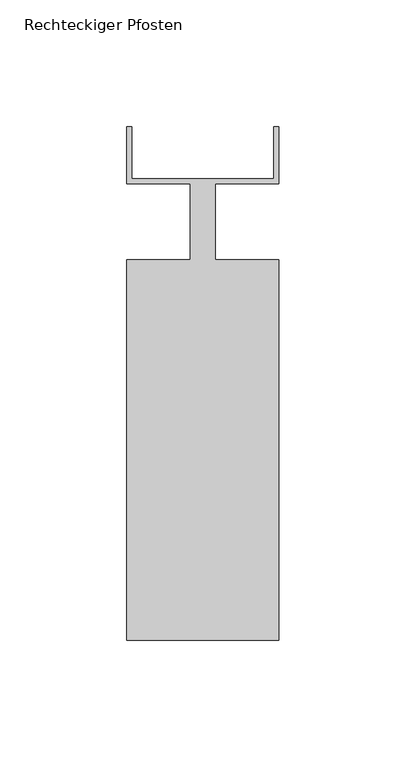
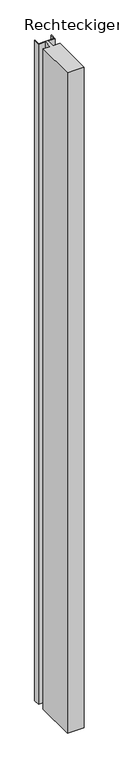
"""IFC4 building model written with IfcOpenShell, lengths in millimetres: member geometry, Rechteckiger Pfosten."""

from ifc_helpers import new_model, si_unit, frame, origin, place, context, project, spatial, polyline, outline, extrude, source, transform, mapped, element, save


def rechteckiger_pfosten_24252384(model_context):
    return source(origin(), model_context, "Body", "SweptSolid", [
        extrude(outline(polyline([(-58.0, 37.5), (-58.0, 17.0), (-2.0, 17.0), (-2.0, 37.5), (0.0, 37.5), (0.0, 15.0), (-25.0, 15.0), (-25.0, -15.0), (0.0, -15.0), (0.0, -165.0), (-60.0, -165.0), (-60.0, -15.0), (-35.0, -15.0), (-35.0, 15.0), (-60.0, 15.0), (-60.0, 37.5), (-58.0, 37.5)])), frame((0.0, 0.0, -2500.0), z_axis=(0.0, 0.0, 1.0), x_axis=(1.0, 0.0, 0.0)), (0.0, 0.0, 1.0), 2500.0),
    ])


if __name__ == "__main__":
    model = new_model("IFC4")
    model_context = context("Model", 3, world=origin())
    ifc_project = project(units=[si_unit("LENGTHUNIT", "METRE", prefix="MILLI")], contexts=[model_context])
    site = spatial("IfcSite", under=ifc_project)
    building = spatial("IfcBuilding", under=site)
    placement = place(None, origin())
    rechteckiger_pfosten_shape = rechteckiger_pfosten_24252384(model_context)
    element("IfcMember", 1, ObjectType="Rechteckiger Pfosten", at=placement, inside=building, context=model_context, shape_type="MappedRepresentation", body=[
        mapped(rechteckiger_pfosten_shape, transform((0.0, 0.0, 0.0), x_axis=(1.0, 0.0, 0.0), y_axis=(0.0, 1.0, 0.0), z_axis=(0.0, 0.0, 1.0))),
    ])
    save(model, "model.ifc")
